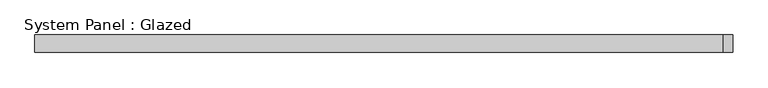
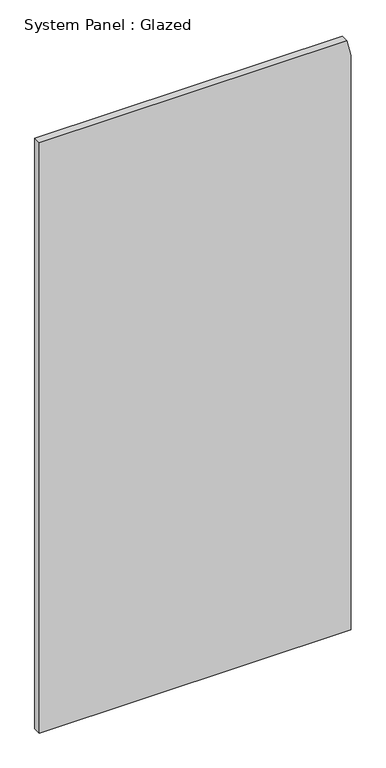
"""IFC4 building model written with IfcOpenShell, lengths in millimetres: plate geometry, System Panel : Glazed."""

from ifc_helpers import new_model, si_unit, frame, origin, place, context, project, spatial, polyline, outline, extrude, source, transform, mapped, element, save


def system_panel_glazed_4872658f(model_context):
    return source(origin(), model_context, "Body", "SweptSolid", [
        extrude(outline(polyline([(0.0, -500.0), (0.0, 500.0), (1945.9459448, 500.0), (2000.0, 485.7142854), (2000.0, -500.0), (0.0, -500.0)])), frame((0.0, 24.5, 0.0), z_axis=(0.0, 1.0, 0.0), x_axis=(0.0, 0.0, 1.0)), (0.0, 0.0, 1.0), 25.0),
    ])


if __name__ == "__main__":
    model = new_model("IFC4")
    model_context = context("Model", 3, world=origin())
    ifc_project = project(units=[si_unit("LENGTHUNIT", "METRE", prefix="MILLI")], contexts=[model_context])
    site = spatial("IfcSite", under=ifc_project)
    building = spatial("IfcBuilding", under=site)
    placement = place(None, origin())
    system_panel_glazed_shape = system_panel_glazed_4872658f(model_context)
    element("IfcPlate", 1, ObjectType="System Panel : Glazed", at=placement, inside=building, context=model_context, shape_type="MappedRepresentation", body=[
        mapped(system_panel_glazed_shape, transform((0.0, 0.0, 0.0), x_axis=(1.0, 0.0, 0.0), y_axis=(0.0, 1.0, 0.0), z_axis=(0.0, 0.0, 1.0))),
    ])
    save(model, "model.ifc")
